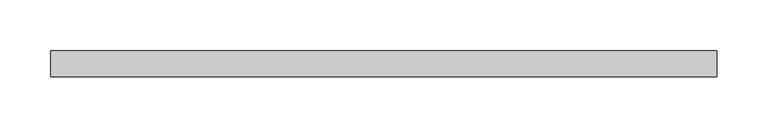
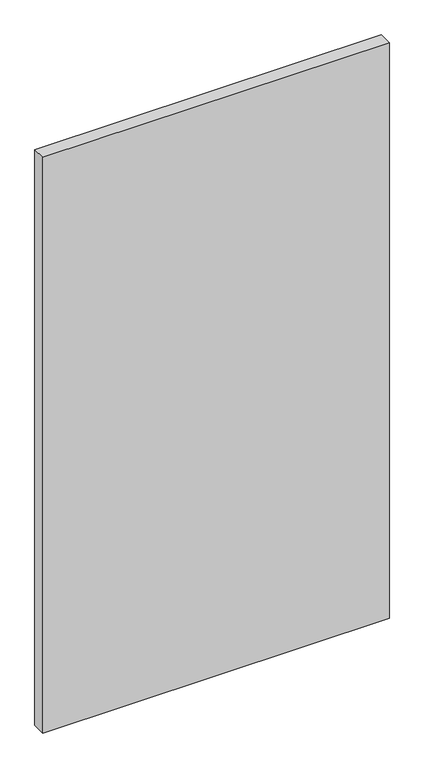
"""IFC4 building model written with IfcOpenShell, lengths in millimetres: plate geometry."""

from ifc_helpers import new_model, si_unit, origin, origin_with_axes, place, context, project, spatial, polyline, outline, extrude, source, transform, mapped, element, save


def plate_309cb80f(model_context):
    return source(origin(), model_context, "Body", "SweptSolid", [
        extrude(outline(polyline([(328.2, 12.7), (328.2, -12.7), (-328.2, -12.7), (-328.2, 12.7), (328.2, 12.7)])), origin_with_axes(), (0.0, 0.0, 1.0), 1151.7),
    ])


if __name__ == "__main__":
    model = new_model("IFC4")
    model_context = context("Model", 3, world=origin())
    ifc_project = project(units=[si_unit("LENGTHUNIT", "METRE", prefix="MILLI")], contexts=[model_context])
    site = spatial("IfcSite", under=ifc_project)
    building = spatial("IfcBuilding", under=site)
    placement = place(None, origin())
    plate_shape = plate_309cb80f(model_context)
    element("IfcPlate", 1, at=placement, inside=building, context=model_context, shape_type="MappedRepresentation", body=[
        mapped(plate_shape, transform((0.0, 0.0, 0.0), x_axis=(1.0, 0.0, 0.0), y_axis=(0.0, 1.0, 0.0), z_axis=(0.0, 0.0, 1.0))),
    ])
    save(model, "model.ifc")
